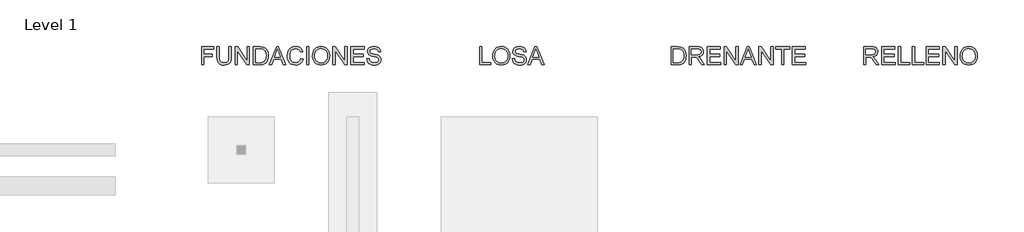
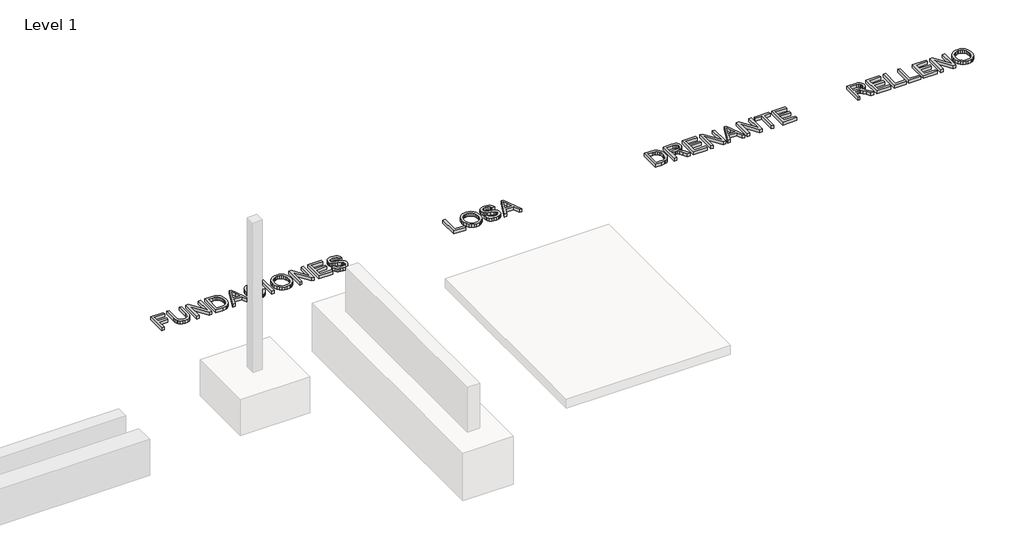
# One storey, part 2 of 2: 4 proxies.
"""IFC4 building model written with IfcOpenShell, lengths in millimetres."""

from ifc_helpers import new_model, si_unit, origin, origin_with_axes, place, context, project, spatial, polyline, outline, extrude, element, save

model = new_model("IFC4")

# Units and contexts
model_context = context("Model", 3, world=origin())
ifc_project = project(units=[si_unit("LENGTHUNIT", "METRE", prefix="MILLI")], contexts=[model_context])

# Site, building, storey
site = spatial("IfcSite", under=ifc_project)
building = spatial("IfcBuilding", under=site)
storey = spatial("IfcBuildingStorey", under=building, Name="Level 1", Elevation=0.0)

# Proxies
placement = place(None, origin())
element("IfcBuildingElementProxy", 1, Name="Generic Models", at=placement, inside=storey, context=model_context, shape_type="SweptSolid", body=[
    extrude(outline(polyline([(11545.7178167, 4943.9931302), (11545.7178167, 5245.3620607), (11748.2000669, 5245.3620607), (11748.2000669, 5207.6909443), (11583.388933, 5207.6909443), (11583.388933, 5118.2220431), (11724.6556192, 5118.2220431), (11724.6556192, 5080.5509268), (11583.388933, 5080.5509268), (11583.388933, 4943.9931302), (11545.7178167, 4943.9931302)])), origin_with_axes(), (0.0, 0.0, 1.0), 50.0),
    extrude(outline(polyline([(11997.7712124, 5245.3620607), (12035.4423287, 5245.3620607), (12035.4423287, 5071.5010297), (12032.8855488, 5030.7856899), (12025.2152092, 4999.4329469), (12010.8862055, 4975.2447057), (11988.3534333, 4956.0228714), (11957.5617103, 4943.4688984), (11918.4558542, 4939.2842407), (11880.2053238, 4942.9262724), (11849.6251329, 4953.8523677), (11826.7060846, 4971.6854474), (11811.4389818, 4996.0484325), (11802.8581343, 5028.7255507), (11799.9978518, 5071.5010297), (11799.9978518, 5245.3620607), (11837.6689681, 5245.3620607), (11837.6689681, 5072.8254049), (11839.5267722, 5038.9710643), (11845.1001844, 5015.3990255), (11855.1985452, 4999.0742619), (11870.6311949, 4986.9617472), (11890.75434, 4979.4569545), (11914.9241871, 4976.955357), (11953.2390969, 4981.9033698), (11967.5818962, 4988.0883858), (11978.714925, 4996.7474083), (11987.0520508, 5008.9243024), (11993.0071406, 5025.6629331), (11997.7712124, 5072.8254049), (11997.7712124, 5245.3620607)])), origin_with_axes(), (0.0, 0.0, 1.0), 50.0),
    extrude(outline(polyline([(12101.3667822, 4943.9931302), (12101.3667822, 5245.3620607), (12141.6866489, 5245.3620607), (12299.1401428, 5006.6066458), (12299.1401428, 5245.3620607), (12336.8112591, 5245.3620607), (12336.8112591, 4943.9931302), (12296.4913925, 4943.9931302), (12139.0378985, 5182.8221215), (12139.0378985, 4943.9931302), (12101.3667822, 4943.9931302)])), origin_with_axes(), (0.0, 0.0, 1.0), 50.0),
    extrude(outline(polyline([(12402.7357127, 4943.9931302), (12402.7357127, 5245.3620607), (12506.6991645, 5245.3620607), (12560.4835122, 5241.0210531), (12584.5062065, 5232.6517377), (12604.7765044, 5219.4631682), (12625.6170195, 5196.5073317), (12640.461058, 5167.9596889), (12649.3454081, 5134.3720627), (12652.3068582, 5096.2962762), (12650.3019013, 5063.9502518), (12644.2870307, 5035.4853824), (12635.126769, 5011.251156), (12623.685639, 4991.5970604), (12610.5154636, 4976.0816372), (12596.1680657, 4964.2634281), (12579.6961494, 4955.4986396), (12560.1524184, 4949.1434781), (12511.7023597, 4943.9931302), (12402.7357127, 4943.9931302)]), holes=[polyline([(12440.406829, 4981.6642465), (12507.0670465, 4981.6642465), (12534.6398021, 4983.0254099), (12555.5538935, 4987.1089), (12571.3360311, 4993.6755937), (12583.5129251, 5002.4863674), (12596.6003271, 5018.7927369), (12606.4319734, 5039.8999663), (12612.5847998, 5065.9000264), (12614.6357419, 5096.8848874), (12610.6166311, 5137.9405181), (12598.5592987, 5168.2539945), (12580.7446131, 5189.0761154), (12559.4534426, 5201.6576796), (12537.7851931, 5206.1826282), (12506.0369769, 5207.6909443), (12440.406829, 5207.6909443), (12440.406829, 4981.6642465)])]), origin_with_axes(), (0.0, 0.0, 1.0), 50.0),
    extrude(outline(polyline([(12669.0087008, 4943.9931302), (12789.3061132, 5245.3620607), (12821.3854232, 5245.3620607), (12941.6828356, 4943.9931302), (12901.8780037, 4943.9931302), (12867.3706726, 5038.170921), (12743.2472874, 5038.170921), (12708.8135327, 4943.9931302), (12669.0087008, 4943.9931302)]), holes=[polyline([(12757.0796504, 5075.8420373), (12853.611886, 5075.8420373), (12826.4621947, 5149.9334711), (12805.3457682, 5207.6909443), (12786.5837864, 5156.4081942), (12757.0796504, 5075.8420373)])]), origin_with_axes(), (0.0, 0.0, 1.0), 50.0),
    extrude(outline(polyline([(13193.8291551, 5051.1203672), (13231.5002714, 5041.4082825), (13224.0460625, 5017.9810972), (13214.1178471, 4997.5107635), (13201.7156254, 4979.9972812), (13186.8393972, 4965.4406505), (13169.8248549, 4953.9972212), (13151.0076909, 4945.8233431), (13130.387905, 4940.9190163), (13107.9654974, 4939.2842407), (13064.2703135, 4944.2322535), (13029.5698443, 4959.076292), (13002.971976, 4983.3013214), (12983.5845949, 5016.3923069), (12971.7479917, 5055.2958278), (12967.8024573, 5096.9584638), (12972.2630265, 5140.9019681), (12985.644734, 5178.8489959), (13007.2486042, 5209.5947337), (13036.3756612, 5231.9343678), (13070.9197805, 5245.5368046), (13108.7748378, 5250.0709502), (13150.0787888, 5244.2032324), (13168.047525, 5236.8685851), (13184.227435, 5226.6000789), (13198.3518044, 5213.6690268), (13210.1539186, 5198.3467417), (13226.7913819, 5160.5284726), (13189.1202656, 5151.5521519), (13176.0604547, 5179.0237399), (13158.218178, 5197.8684951), (13135.3727061, 5208.7669992), (13107.3033098, 5212.3998339), (13074.9480884, 5208.371526), (13048.3686142, 5196.2866025), (13028.1994838, 5177.4142561), (13015.0752937, 5153.0236799), (13007.8740036, 5125.4509243), (13005.4735736, 5097.0320402), (13008.315462, 5062.2304035), (13016.8411272, 5032.1376562), (13031.372466, 5007.9034298), (13052.2313752, 4990.6773554), (13077.2381538, 4980.3858566), (13104.2131011, 4976.955357), (13135.6578146, 4981.6274583), (13161.8602097, 4995.6437623), (13181.643064, 5018.8571162), (13193.8291551, 5051.1203672)])), origin_with_axes(), (0.0, 0.0, 1.0), 50.0),
    extrude(outline(polyline([(13288.0069459, 4943.9931302), (13288.0069459, 5245.3620607), (13325.6780622, 5245.3620607), (13325.6780622, 4943.9931302), (13288.0069459, 4943.9931302)])), origin_with_axes(), (0.0, 0.0, 1.0), 50.0),
    extrude(outline(polyline([(13386.8936262, 5090.7044699), (13389.4044208, 5126.0533311), (13396.9368046, 5157.3462933), (13409.4907777, 5184.5833565), (13427.0663401, 5207.7645207), (13448.6104294, 5226.2735836), (13473.0699835, 5239.4943428), (13500.4450025, 5247.4267983), (13530.7354863, 5250.0709502), (13570.2644067, 5245.1045433), (13605.7098369, 5230.2053225), (13635.1403965, 5206.4217515), (13656.624705, 5174.802294), (13669.7580923, 5136.8736603), (13674.135888, 5094.1625606), (13669.528166, 5050.8812439), (13655.7050001, 5012.4191813), (13633.4297452, 4980.7445415), (13603.4657567, 4957.8254932), (13568.3238291, 4943.9195538), (13530.5147571, 4939.2842407), (13490.3788314, 4944.4069974), (13454.7310661, 4959.7752678), (13425.3740829, 4984.0002972), (13404.1105036, 5015.6933311), (13391.1978455, 5052.1596338), (13386.8936262, 5090.7044699)]), holes=[polyline([(13424.5647425, 5090.3365879), (13426.4478384, 5065.3619989), (13432.0971263, 5043.1925102), (13441.5126061, 5023.8281217), (13454.6942779, 5007.2688334), (13470.717838, 4994.0066874), (13488.6589831, 4984.5337261), (13508.517713, 4978.8499492), (13530.2940279, 4976.955357), (13552.4428233, 4978.8683433), (13572.536078, 4984.6073025), (13590.5737921, 4994.1722343), (13606.5559655, 5007.563139), (13619.6410682, 5024.4719152), (13628.9875702, 5044.5904618), (13634.5954713, 5067.9187788), (13636.4647717, 5094.4568662), (13633.2641983, 5127.8053691), (13623.6624783, 5156.6289234), (13607.9079318, 5180.2009623), (13586.2488794, 5197.7949187), (13560.1200607, 5208.7486051), (13530.9562155, 5212.3998339), (13509.936358, 5210.6408981), (13490.4340137, 5205.3640907), (13472.4491827, 5196.5694118), (13455.9818649, 5184.2568613), (13442.2368738, 5167.8332294), (13432.4190231, 5146.7053066), (13426.5283126, 5120.8730927), (13424.5647425, 5090.3365879)])]), origin_with_axes(), (0.0, 0.0, 1.0), 50.0),
    extrude(outline(polyline([(13725.9336729, 4943.9931302), (13725.9336729, 5245.3620607), (13766.2535396, 5245.3620607), (13923.7070335, 5006.6066458), (13923.7070335, 5245.3620607), (13961.3781498, 5245.3620607), (13961.3781498, 4943.9931302), (13921.0582832, 4943.9931302), (13763.6047892, 5182.8221215), (13763.6047892, 4943.9931302), (13725.9336729, 4943.9931302)])), origin_with_axes(), (0.0, 0.0, 1.0), 50.0),
    extrude(outline(polyline([(14027.3026034, 4943.9931302), (14027.3026034, 5245.3620607), (14243.9115221, 5245.3620607), (14243.9115221, 5207.6909443), (14064.9737197, 5207.6909443), (14064.9737197, 5118.2220431), (14234.4937431, 5118.2220431), (14234.4937431, 5080.5509268), (14064.9737197, 5080.5509268), (14064.9737197, 4981.6642465), (14248.6204117, 4981.6642465), (14248.6204117, 4943.9931302), (14027.3026034, 4943.9931302)])), origin_with_axes(), (0.0, 0.0, 1.0), 50.0),
    extrude(outline(polyline([(14291.0004175, 5047.5887), (14328.6715338, 5047.5887), (14332.9941473, 5026.6838057), (14340.8116397, 5009.8807955), (14353.0069278, 4996.5450732), (14370.4629285, 4986.0420423), (14391.8000842, 4979.2270283), (14415.6388375, 4976.955357), (14436.6265053, 4978.6752053), (14455.002211, 4983.8347503), (14469.8922347, 4992.0017306), (14480.4228568, 5002.7438848), (14486.6860478, 5015.0771287), (14488.7737781, 5028.0173779), (14487.2102797, 5040.6265333), (14482.5197842, 5051.5250374), (14472.9916405, 5060.8232548), (14456.9151973, 5068.6315502), (14402.0639919, 5083.0157362), (14366.0575416, 5092.5346828), (14343.0189316, 5101.5937769), (14324.2661469, 5114.2673117), (14310.9764099, 5129.626385), (14303.0577499, 5147.339903), (14300.4181966, 5167.0767721), (14303.6831493, 5189.1404947), (14313.4780074, 5209.7142953), (14329.5452536, 5227.1519019), (14351.6273703, 5239.8070425), (14378.1332681, 5247.5049733), (14407.4718572, 5250.0709502), (14439.2568616, 5247.3854116), (14467.0687404, 5239.3287959), (14489.9142123, 5226.06665), (14506.7999959, 5207.7645207), (14517.4869679, 5185.5628423), (14521.7360049, 5160.602049), (14484.0648886, 5160.602049), (14477.1487071, 5183.0796389), (14462.7277329, 5199.3032349), (14440.1949607, 5209.1256841), (14408.9433852, 5212.3998339), (14376.9560457, 5209.1624723), (14355.0118847, 5199.4503877), (14342.3199559, 5185.1581721), (14338.0893129, 5168.1804181), (14341.0875512, 5153.7042616), (14350.0822659, 5142.0607964), (14371.3458453, 5131.6497359), (14411.5921355, 5121.0179463), (14453.1260128, 5110.9195855), (14478.2523531, 5102.1088117), (14499.7274645, 5088.4419956), (14514.7094588, 5071.5746061), (14523.5110355, 5051.6905843), (14526.4448944, 5028.9738711), (14523.0695771, 5005.7513201), (14512.9436252, 4983.9083267), (14496.4809059, 4965.1095567), (14474.0952865, 4951.0196763), (14447.1755215, 4942.2180996), (14417.1103655, 4939.2842407), (14380.2026043, 4942.4480258), (14349.8247486, 4951.9393813), (14325.6273103, 4967.7950953), (14307.2608017, 4990.051956), (14295.4701838, 5017.164859), (14291.0004175, 5047.5887)])), origin_with_axes(), (0.0, 0.0, 1.0), 50.0),
])
element("IfcBuildingElementProxy", 2, Name="Generic Models", at=placement, inside=storey, context=model_context, shape_type="SweptSolid", body=[
    extrude(outline(polyline([(16166.1178167, 4943.9931302), (16166.1178167, 5245.3620607), (16203.788933, 5245.3620607), (16203.788933, 4981.6642465), (16354.4733982, 4981.6642465), (16354.4733982, 4943.9931302), (16166.1178167, 4943.9931302)])), origin_with_axes(), (0.0, 0.0, 1.0), 50.0),
    extrude(outline(polyline([(16382.7267355, 5090.7044699), (16385.2375301, 5126.0533311), (16392.7699139, 5157.3462933), (16405.323887, 5184.5833565), (16422.8994494, 5207.7645207), (16444.4435387, 5226.2735836), (16468.9030928, 5239.4943428), (16496.2781118, 5247.4267983), (16526.5685956, 5250.0709502), (16566.097516, 5245.1045433), (16601.5429462, 5230.2053225), (16630.9735058, 5206.4217515), (16652.4578143, 5174.802294), (16665.5912016, 5136.8736603), (16669.9689973, 5094.1625606), (16665.3612753, 5050.8812439), (16651.5381094, 5012.4191813), (16629.2628545, 4980.7445415), (16599.298866, 4957.8254932), (16564.1569384, 4943.9195538), (16526.3478664, 4939.2842407), (16486.2119407, 4944.4069974), (16450.5641754, 4959.7752678), (16421.2071922, 4984.0002972), (16399.9436129, 5015.6933311), (16387.0309548, 5052.1596338), (16382.7267355, 5090.7044699)]), holes=[polyline([(16420.3978518, 5090.3365879), (16422.2809477, 5065.3619989), (16427.9302356, 5043.1925102), (16437.3457154, 5023.8281217), (16450.5273872, 5007.2688334), (16466.5509473, 4994.0066874), (16484.4920924, 4984.5337261), (16504.3508223, 4978.8499492), (16526.1271372, 4976.955357), (16548.2759326, 4978.8683433), (16568.3691873, 4984.6073025), (16586.4069014, 4994.1722343), (16602.3890748, 5007.563139), (16615.4741775, 5024.4719152), (16624.8206795, 5044.5904618), (16630.4285806, 5067.9187788), (16632.297881, 5094.4568662), (16629.0973076, 5127.8053691), (16619.4955876, 5156.6289234), (16603.7410411, 5180.2009623), (16582.0819887, 5197.7949187), (16555.95317, 5208.7486051), (16526.7893248, 5212.3998339), (16505.7694673, 5210.6408981), (16486.267123, 5205.3640907), (16468.282292, 5196.5694118), (16451.8149742, 5184.2568613), (16438.0699831, 5167.8332294), (16428.2521324, 5146.7053066), (16422.3614219, 5120.8730927), (16420.3978518, 5090.3365879)])]), origin_with_axes(), (0.0, 0.0, 1.0), 50.0),
    extrude(outline(polyline([(16707.6401136, 5047.5887), (16745.3112299, 5047.5887), (16749.6338434, 5026.6838057), (16757.4513358, 5009.8807955), (16769.6466239, 4996.5450732), (16787.1026246, 4986.0420423), (16808.4397803, 4979.2270283), (16832.2785336, 4976.955357), (16853.2662014, 4978.6752053), (16871.6419071, 4983.8347503), (16886.5319308, 4992.0017306), (16897.0625529, 5002.7438848), (16903.3257439, 5015.0771287), (16905.4134742, 5028.0173779), (16903.8499757, 5040.6265333), (16899.1594803, 5051.5250374), (16889.6313366, 5060.8232548), (16873.5548934, 5068.6315502), (16818.703688, 5083.0157362), (16782.6972377, 5092.5346828), (16759.6586277, 5101.5937769), (16740.905843, 5114.2673117), (16727.616106, 5129.626385), (16719.697446, 5147.339903), (16717.0578927, 5167.0767721), (16720.3228454, 5189.1404947), (16730.1177035, 5209.7142953), (16746.1849497, 5227.1519019), (16768.2670664, 5239.8070425), (16794.7729642, 5247.5049733), (16824.1115533, 5250.0709502), (16855.8965577, 5247.3854116), (16883.7084365, 5239.3287959), (16906.5539084, 5226.06665), (16923.439692, 5207.7645207), (16934.1266639, 5185.5628423), (16938.375701, 5160.602049), (16900.7045847, 5160.602049), (16893.7884032, 5183.0796389), (16879.367429, 5199.3032349), (16856.8346568, 5209.1256841), (16825.5830813, 5212.3998339), (16793.5957418, 5209.1624723), (16771.6515808, 5199.4503877), (16758.9596519, 5185.1581721), (16754.729009, 5168.1804181), (16757.7272473, 5153.7042616), (16766.721962, 5142.0607964), (16787.9855414, 5131.6497359), (16828.2318316, 5121.0179463), (16869.7657089, 5110.9195855), (16894.8920492, 5102.1088117), (16916.3671606, 5088.4419956), (16931.3491549, 5071.5746061), (16940.1507316, 5051.6905843), (16943.0845905, 5028.9738711), (16939.7092732, 5005.7513201), (16929.5833213, 4983.9083267), (16913.120602, 4965.1095567), (16890.7349826, 4951.0196763), (16863.8152176, 4942.2180996), (16833.7500616, 4939.2842407), (16796.8423004, 4942.4480258), (16766.4644446, 4951.9393813), (16742.2670064, 4967.7950953), (16723.9004978, 4990.051956), (16712.1098799, 5017.164859), (16707.6401136, 5047.5887)])), origin_with_axes(), (0.0, 0.0, 1.0), 50.0),
    extrude(outline(polyline([(16964.4953226, 4943.9931302), (17084.7927351, 5245.3620607), (17116.8720451, 5245.3620607), (17237.1694575, 4943.9931302), (17197.3646256, 4943.9931302), (17162.8572944, 5038.170921), (17038.7339093, 5038.170921), (17004.3001545, 4943.9931302), (16964.4953226, 4943.9931302)]), holes=[polyline([(17052.5662723, 5075.8420373), (17149.0985078, 5075.8420373), (17121.9488166, 5149.9334711), (17100.8323901, 5207.6909443), (17082.0704083, 5156.4081942), (17052.5662723, 5075.8420373)])]), origin_with_axes(), (0.0, 0.0, 1.0), 50.0),
])
element("IfcBuildingElementProxy", 3, Name="Generic Models", at=placement, inside=storey, context=model_context, shape_type="SweptSolid", body=[
    extrude(outline(polyline([(19346.9178167, 4943.9931302), (19346.9178167, 5245.3620607), (19450.8812686, 5245.3620607), (19504.6656162, 5241.0210531), (19528.6883105, 5232.6517377), (19548.9586085, 5219.4631682), (19569.7991235, 5196.5073317), (19584.643162, 5167.9596889), (19593.5275122, 5134.3720627), (19596.4889622, 5096.2962762), (19594.4840054, 5063.9502518), (19588.4691348, 5035.4853824), (19579.3088731, 5011.251156), (19567.867743, 4991.5970604), (19554.6975676, 4976.0816372), (19540.3501698, 4964.2634281), (19523.8782534, 4955.4986396), (19504.3345225, 4949.1434781), (19455.8844637, 4943.9931302), (19346.9178167, 4943.9931302)]), holes=[polyline([(19384.588933, 4981.6642465), (19451.2491505, 4981.6642465), (19478.8219061, 4983.0254099), (19499.7359975, 4987.1089), (19515.5181351, 4993.6755937), (19527.6950291, 5002.4863674), (19540.7824311, 5018.7927369), (19550.6140774, 5039.8999663), (19556.7669038, 5065.9000264), (19558.8178459, 5096.8848874), (19554.7987351, 5137.9405181), (19542.7414027, 5168.2539945), (19524.9267171, 5189.0761154), (19503.6355467, 5201.6576796), (19481.9672971, 5206.1826282), (19450.219081, 5207.6909443), (19384.588933, 5207.6909443), (19384.588933, 4981.6642465)])]), origin_with_axes(), (0.0, 0.0, 1.0), 50.0),
    extrude(outline(polyline([(19648.2867472, 4943.9931302), (19648.2867472, 5245.3620607), (19778.1490915, 5245.3620607), (19813.0518958, 5243.3295126), (19838.4449505, 5237.2318686), (19857.0045971, 5225.9746795), (19871.4071772, 5208.4634965), (19880.6502124, 5186.7492618), (19883.7312241, 5162.8829173), (19878.6268614, 5133.1948403), (19863.3137733, 5108.5835348), (19851.7139942, 5098.554152), (19837.3321074, 5090.538923), (19800.2220112, 5080.5509268), (19821.6327433, 5064.4376954), (19852.1669489, 5025.6629331), (19902.4196294, 4943.9931302), (19858.641672, 4943.9931302), (19819.4254513, 5006.459493), (19791.0985377, 5047.8094292), (19771.1961218, 5067.3439632), (19753.2802686, 5074.5176621), (19731.4280781, 5075.8420373), (19685.9578635, 5075.8420373), (19685.9578635, 4943.9931302), (19648.2867472, 4943.9931302)]), holes=[polyline([(19685.9578635, 5113.5131536), (19770.2764168, 5113.5131536), (19794.4922491, 5114.8467258), (19813.281822, 5118.8474425), (19827.4268847, 5125.7820181), (19837.7091865, 5135.9171671), (19843.9723775, 5148.1768346), (19846.0601078, 5161.4849658), (19842.0777852, 5179.8606714), (19830.1308174, 5194.6679217), (19809.5754109, 5204.4351887), (19779.7677722, 5207.6909443), (19685.9578635, 5207.6909443), (19685.9578635, 5113.5131536)])]), origin_with_axes(), (0.0, 0.0, 1.0), 50.0),
    extrude(outline(polyline([(19949.6556776, 4943.9931302), (19949.6556776, 5245.3620607), (20166.2645964, 5245.3620607), (20166.2645964, 5207.6909443), (19987.3267939, 5207.6909443), (19987.3267939, 5118.2220431), (20156.8468173, 5118.2220431), (20156.8468173, 5080.5509268), (19987.3267939, 5080.5509268), (19987.3267939, 4981.6642465), (20170.9734859, 4981.6642465), (20170.9734859, 4943.9931302), (19949.6556776, 4943.9931302)])), origin_with_axes(), (0.0, 0.0, 1.0), 50.0),
    extrude(outline(polyline([(20227.4801604, 4943.9931302), (20227.4801604, 5245.3620607), (20267.800027, 5245.3620607), (20425.253521, 5006.6066458), (20425.253521, 5245.3620607), (20462.9246373, 5245.3620607), (20462.9246373, 4943.9931302), (20422.6047706, 4943.9931302), (20265.1512767, 5182.8221215), (20265.1512767, 4943.9931302), (20227.4801604, 4943.9931302)])), origin_with_axes(), (0.0, 0.0, 1.0), 50.0),
    extrude(outline(polyline([(20493.7531485, 4943.9931302), (20614.0505609, 5245.3620607), (20646.1298709, 5245.3620607), (20766.4272833, 4943.9931302), (20726.6224514, 4943.9931302), (20692.1151203, 5038.170921), (20567.9917351, 5038.170921), (20533.5579804, 4943.9931302), (20493.7531485, 4943.9931302)]), holes=[polyline([(20581.8240981, 5075.8420373), (20678.3563337, 5075.8420373), (20651.2066424, 5149.9334711), (20630.0902159, 5207.6909443), (20611.3282341, 5156.4081942), (20581.8240981, 5075.8420373)])]), origin_with_axes(), (0.0, 0.0, 1.0), 50.0),
    extrude(outline(polyline([(20806.6735736, 4943.9931302), (20806.6735736, 5245.3620607), (20846.9934403, 5245.3620607), (21004.4469342, 5006.6066458), (21004.4469342, 5245.3620607), (21042.1180505, 5245.3620607), (21042.1180505, 4943.9931302), (21001.7981838, 4943.9931302), (20844.3446899, 5182.8221215), (20844.3446899, 4943.9931302), (20806.6735736, 4943.9931302)])), origin_with_axes(), (0.0, 0.0, 1.0), 50.0),
    extrude(outline(polyline([(21183.3847366, 4943.9931302), (21183.3847366, 5207.6909443), (21084.4980563, 5207.6909443), (21084.4980563, 5245.3620607), (21319.9425332, 5245.3620607), (21319.9425332, 5207.6909443), (21221.0558529, 5207.6909443), (21221.0558529, 4943.9931302), (21183.3847366, 4943.9931302)])), origin_with_axes(), (0.0, 0.0, 1.0), 50.0),
    extrude(outline(polyline([(21362.3225391, 4943.9931302), (21362.3225391, 5245.3620607), (21578.9314579, 5245.3620607), (21578.9314579, 5207.6909443), (21399.9936554, 5207.6909443), (21399.9936554, 5118.2220431), (21569.5136788, 5118.2220431), (21569.5136788, 5080.5509268), (21399.9936554, 5080.5509268), (21399.9936554, 4981.6642465), (21583.6403474, 4981.6642465), (21583.6403474, 4943.9931302), (21362.3225391, 4943.9931302)])), origin_with_axes(), (0.0, 0.0, 1.0), 50.0),
])
element("IfcBuildingElementProxy", 4, Name="Generic Models", at=placement, inside=storey, context=model_context, shape_type="SweptSolid", body=[
    extrude(outline(polyline([(22547.3178167, 4943.9931302), (22547.3178167, 5245.3620607), (22677.180161, 5245.3620607), (22712.0829653, 5243.3295126), (22737.47602, 5237.2318686), (22756.0356667, 5225.9746795), (22770.4382468, 5208.4634965), (22779.6812819, 5186.7492618), (22782.7622936, 5162.8829173), (22777.6579309, 5133.1948403), (22762.3448429, 5108.5835348), (22750.7450637, 5098.554152), (22736.363177, 5090.538923), (22699.2530807, 5080.5509268), (22720.6638128, 5064.4376954), (22751.1980184, 5025.6629331), (22801.450699, 4943.9931302), (22757.6727416, 4943.9931302), (22718.4565209, 5006.459493), (22690.1296072, 5047.8094292), (22670.2271913, 5067.3439632), (22652.3113381, 5074.5176621), (22630.4591476, 5075.8420373), (22584.988933, 5075.8420373), (22584.988933, 4943.9931302), (22547.3178167, 4943.9931302)]), holes=[polyline([(22584.988933, 5113.5131536), (22669.3074863, 5113.5131536), (22693.5233187, 5114.8467258), (22712.3128916, 5118.8474425), (22726.4579543, 5125.7820181), (22736.740256, 5135.9171671), (22743.003447, 5148.1768346), (22745.0911773, 5161.4849658), (22741.1088547, 5179.8606714), (22729.1618869, 5194.6679217), (22708.6064805, 5204.4351887), (22678.7988418, 5207.6909443), (22584.988933, 5207.6909443), (22584.988933, 5113.5131536)])]), origin_with_axes(), (0.0, 0.0, 1.0), 50.0),
    extrude(outline(polyline([(22848.6867472, 4943.9931302), (22848.6867472, 5245.3620607), (23065.2956659, 5245.3620607), (23065.2956659, 5207.6909443), (22886.3578635, 5207.6909443), (22886.3578635, 5118.2220431), (23055.8778868, 5118.2220431), (23055.8778868, 5080.5509268), (22886.3578635, 5080.5509268), (22886.3578635, 4981.6642465), (23070.0045555, 4981.6642465), (23070.0045555, 4943.9931302), (22848.6867472, 4943.9931302)])), origin_with_axes(), (0.0, 0.0, 1.0), 50.0),
    extrude(outline(polyline([(23126.5112299, 4943.9931302), (23126.5112299, 5245.3620607), (23164.1823462, 5245.3620607), (23164.1823462, 4981.6642465), (23314.8668115, 4981.6642465), (23314.8668115, 4943.9931302), (23126.5112299, 4943.9931302)])), origin_with_axes(), (0.0, 0.0, 1.0), 50.0),
    extrude(outline(polyline([(23357.2468173, 4943.9931302), (23357.2468173, 5245.3620607), (23394.9179336, 5245.3620607), (23394.9179336, 4981.6642465), (23545.6023988, 4981.6642465), (23545.6023988, 4943.9931302), (23357.2468173, 4943.9931302)])), origin_with_axes(), (0.0, 0.0, 1.0), 50.0),
    extrude(outline(polyline([(23587.9824047, 4943.9931302), (23587.9824047, 5245.3620607), (23804.5913234, 5245.3620607), (23804.5913234, 5207.6909443), (23625.653521, 5207.6909443), (23625.653521, 5118.2220431), (23795.1735444, 5118.2220431), (23795.1735444, 5080.5509268), (23625.653521, 5080.5509268), (23625.653521, 4981.6642465), (23809.300213, 4981.6642465), (23809.300213, 4943.9931302), (23587.9824047, 4943.9931302)])), origin_with_axes(), (0.0, 0.0, 1.0), 50.0),
    extrude(outline(polyline([(23865.8068874, 4943.9931302), (23865.8068874, 5245.3620607), (23906.1267541, 5245.3620607), (24063.580248, 5006.6066458), (24063.580248, 5245.3620607), (24101.2513643, 5245.3620607), (24101.2513643, 4943.9931302), (24060.9314977, 4943.9931302), (23903.4780037, 5182.8221215), (23903.4780037, 4943.9931302), (23865.8068874, 4943.9931302)])), origin_with_axes(), (0.0, 0.0, 1.0), 50.0),
    extrude(outline(polyline([(24153.0491493, 5090.7044699), (24155.5599439, 5126.0533311), (24163.0923277, 5157.3462933), (24175.6463008, 5184.5833565), (24193.2218631, 5207.7645207), (24214.7659525, 5226.2735836), (24239.2255066, 5239.4943428), (24266.6005256, 5247.4267983), (24296.8910094, 5250.0709502), (24336.4199298, 5245.1045433), (24371.86536, 5230.2053225), (24401.2959196, 5206.4217515), (24422.7802281, 5174.802294), (24435.9136154, 5136.8736603), (24440.2914111, 5094.1625606), (24435.6836891, 5050.8812439), (24421.8605231, 5012.4191813), (24399.5852683, 4980.7445415), (24369.6212798, 4957.8254932), (24334.4793522, 4943.9195538), (24296.6702802, 4939.2842407), (24256.5343545, 4944.4069974), (24220.8865892, 4959.7752678), (24191.529606, 4984.0002972), (24170.2660266, 5015.6933311), (24157.3533686, 5052.1596338), (24153.0491493, 5090.7044699)]), holes=[polyline([(24190.7202656, 5090.3365879), (24192.6033615, 5065.3619989), (24198.2526494, 5043.1925102), (24207.6681292, 5023.8281217), (24220.849801, 5007.2688334), (24236.8733611, 4994.0066874), (24254.8145062, 4984.5337261), (24274.6732361, 4978.8499492), (24296.449551, 4976.955357), (24318.5983464, 4978.8683433), (24338.6916011, 4984.6073025), (24356.7293152, 4994.1722343), (24372.7114886, 5007.563139), (24385.7965913, 5024.4719152), (24395.1430932, 5044.5904618), (24400.7509944, 5067.9187788), (24402.6202948, 5094.4568662), (24399.4197214, 5127.8053691), (24389.8180014, 5156.6289234), (24374.0634549, 5180.2009623), (24352.4044025, 5197.7949187), (24326.2755837, 5208.7486051), (24297.1117386, 5212.3998339), (24276.0918811, 5210.6408981), (24256.5895368, 5205.3640907), (24238.6047058, 5196.5694118), (24222.137388, 5184.2568613), (24208.3923969, 5167.8332294), (24198.5745462, 5146.7053066), (24192.6838357, 5120.8730927), (24190.7202656, 5090.3365879)])]), origin_with_axes(), (0.0, 0.0, 1.0), 50.0),
])

save(model, "model.ifc")
